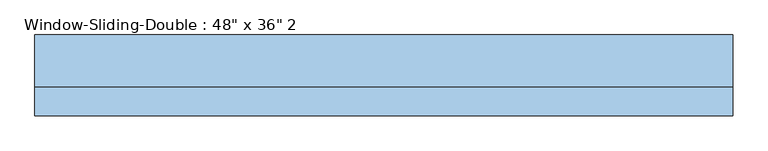
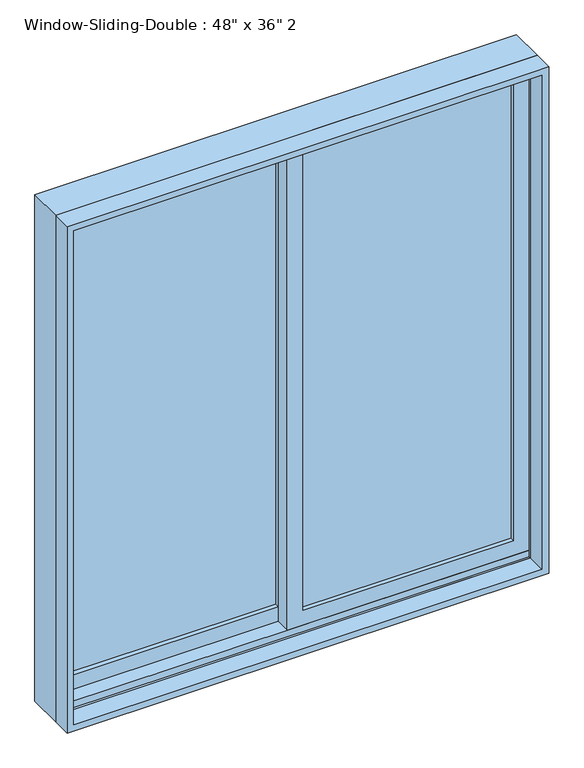
"""IFC4 building model written with IfcOpenShell, lengths in millimetres: window geometry."""

from ifc_helpers import new_model, si_unit, frame, origin, place, context, project, spatial, polyline, outline, extrude, faceted_brep, source, transform, mapped, element, save


def window_b45830d5(model_context):
    return source(origin(), model_context, "Body", "SolidModel", [
        faceted_brep([(-685.8, -16.51, 914.4), (-685.8, 85.09, 914.4), (685.8, 85.09, 914.4), (685.8, -16.51, 914.4), (-644.8778905, 85.09, 2397.4778905), (-644.8778905, 78.74, 2397.4778905), (-644.8778905, 78.74, 933.45), (-644.8778905, 85.09, 933.45), (644.8778905, 78.74, 2397.4778905), (644.8778905, 78.74, 933.45), (666.75, 78.74, 933.45), (666.75, 78.74, 2419.35), (-666.75, 78.74, 2419.35), (-666.75, 78.74, 933.45), (-666.75, -16.51, 2419.35), (-666.75, -16.51, 933.45), (-666.75, -10.16, 933.45), (-666.75, -10.16, 952.5), (-666.75, 34.29, 952.5), (-666.75, 34.29, 933.45), (685.8, -16.51, 2438.4), (-685.8, -16.51, 2438.4), (666.75, -16.51, 2419.35), (666.75, -16.51, 933.45), (-685.8, 85.09, 2438.4), (685.8, 85.09, 2438.4), (644.8778905, 85.09, 933.45), (644.8778905, 85.09, 2397.4778905), (666.75, 34.29, 933.45), (666.75, 34.29, 952.5), (666.75, -10.16, 952.5), (666.75, -10.16, 933.45)], [[[0, 1, 2, 3]], [[4, 5, 6, 7]], [[5, 8, 9, 10, 11, 12, 13, 6]], [[12, 14, 15, 16, 17, 18, 19, 13]], [[0, 3, 20, 21], [22, 23, 15, 14]], [[24, 1, 0, 21]], [[2, 1, 24, 25], [4, 7, 26, 27]], [[5, 4, 27, 8]], [[12, 11, 22, 14]], [[21, 20, 25, 24]], [[8, 27, 26, 9]], [[22, 11, 10, 28, 29, 30, 31, 23]], [[20, 3, 2, 25]], [[26, 7, 6, 13, 19, 28, 10, 9]], [[28, 19, 18, 29]], [[29, 18, 17, 30]], [[30, 17, 16, 31]], [[15, 23, 31, 16]]]),
        extrude(outline(polyline([(2438.4, -685.8), (914.4, -685.8), (914.4, 685.8), (2438.4, 685.8), (2438.4, -685.8)]), holes=[polyline([(2419.35, 666.75), (933.45, 666.75), (933.45, -666.75), (2419.35, -666.75), (2419.35, 666.75)])]), frame((0.0, -73.66, 0.0), z_axis=(0.0, 1.0, 0.0), x_axis=(0.0, 0.0, 1.0)), (0.0, 0.0, 1.0), 57.15),
        extrude(outline(polyline([(622.3, 21.59), (622.3, 15.24), (22.225, 15.24), (22.225, 21.59), (622.3, 21.59)])), frame((0.0, 0.0, 996.95), z_axis=(0.0, 0.0, 1.0), x_axis=(1.0, 0.0, 0.0)), (0.0, 0.0, 1.0), 1377.95),
        extrude(outline(polyline([(622.3, 8.89), (622.3, 2.54), (22.225, 2.54), (22.225, 8.89), (622.3, 8.89)])), frame((0.0, 0.0, 996.95), z_axis=(0.0, 0.0, 1.0), x_axis=(1.0, 0.0, 0.0)), (0.0, 0.0, 1.0), 1377.95),
        extrude(outline(polyline([(-22.225, 66.04), (-22.225, 59.69), (-622.3, 59.69), (-622.3, 66.04), (-22.225, 66.04)])), frame((0.0, 0.0, 996.95), z_axis=(0.0, 0.0, 1.0), x_axis=(1.0, 0.0, 0.0)), (0.0, 0.0, 1.0), 1377.95),
        extrude(outline(polyline([(-22.225, 53.34), (-22.225, 46.99), (-622.3, 46.99), (-622.3, 53.34), (-22.225, 53.34)])), frame((0.0, 0.0, 996.95), z_axis=(0.0, 0.0, 1.0), x_axis=(1.0, 0.0, 0.0)), (0.0, 0.0, 1.0), 1377.95),
        extrude(outline(polyline([(933.45, -666.75), (933.45, 22.225), (2419.35, 22.225), (2419.35, -666.75), (933.45, -666.75)]), holes=[polyline([(2374.9, -22.225), (996.95, -22.225), (996.95, -622.3), (2374.9, -622.3), (2374.9, -22.225)])]), frame((0.0, 34.29, 0.0), z_axis=(0.0, 1.0, 0.0), x_axis=(0.0, 0.0, 1.0)), (0.0, 0.0, 1.0), 44.45),
        extrude(outline(polyline([(952.5, 666.75), (2419.35, 666.75), (2419.35, -22.225), (952.5, -22.225), (952.5, 666.75)]), holes=[polyline([(996.95, 22.225), (2374.9, 22.225), (2374.9, 622.3), (996.95, 622.3), (996.95, 22.225)])]), frame((0.0, -10.16, 0.0), z_axis=(0.0, 1.0, 0.0), x_axis=(0.0, 0.0, 1.0)), (0.0, 0.0, 1.0), 44.45),
    ])


if __name__ == "__main__":
    model = new_model("IFC4")
    model_context = context("Model", 3, world=origin())
    ifc_project = project(units=[si_unit("LENGTHUNIT", "METRE", prefix="MILLI")], contexts=[model_context])
    site = spatial("IfcSite", under=ifc_project)
    building = spatial("IfcBuilding", under=site)
    placement = place(None, origin())
    window_shape = window_b45830d5(model_context)
    element("IfcWindow", 1, ObjectType="Window-Sliding-Double : 48\" x 36\" 2", at=placement, inside=building, context=model_context, shape_type="MappedRepresentation", body=[
        mapped(window_shape, transform((0.0, 0.0, 0.0), x_axis=(1.0, 0.0, 0.0), y_axis=(0.0, 1.0, 0.0), z_axis=(0.0, 0.0, 1.0))),
    ])
    save(model, "model.ifc")
